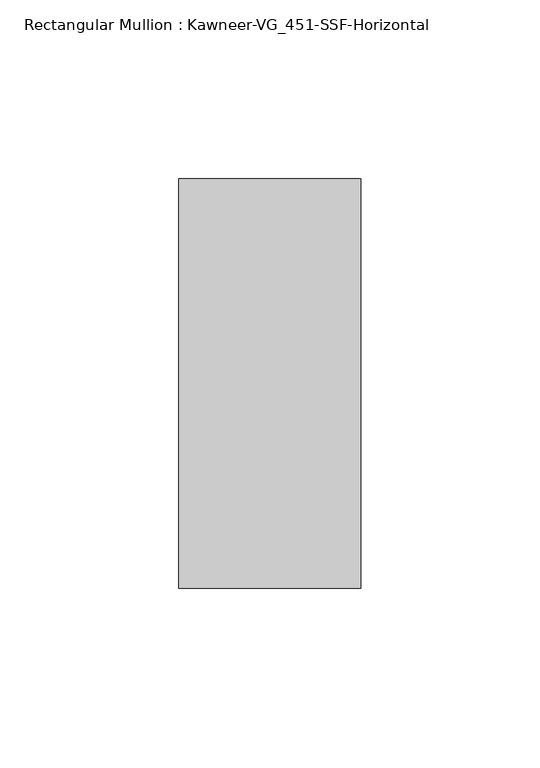
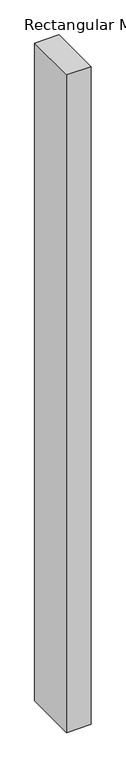
"""IFC4 building model written with IfcOpenShell, lengths in millimetres: member geometry, Rectangular Mullion : Kawneer-VG_451-SSF-Horizontal."""

import ifcopenshell
import ifcopenshell.guid

model = None  # the IFC model being written
_history = None  # IfcOwnerHistory: only IFC2X3 demands one
_inside = {}  # id of a spatial element -> (the spatial element, [elements in it])
_under = {}  # id of a project, library or spatial element -> (it, [spatial elements below it])
_declared = {}  # id of a project -> (the project, [libraries it declares])
_typed = {}  # id of a type object -> (the type object, [elements of that type])
_made_of = {}  # id of a material, layer set ... -> (it, [elements and type objects made of it])


def new_model(schema):
    """Start an empty IFC model of exactly this schema.

    Asked for "IFC4X3", IfcOpenShell would pick the latest addendum, in which some entities
    have other attributes; the version numbers below select the first issue.
    IFC2X3 requires an IfcOwnerHistory on every rooted entity: one is made here for all.
    """
    global model, _history
    if schema == "IFC4X3":
        model = ifcopenshell.file(schema_version=(4, 3, 0, 0))
    else:
        model = ifcopenshell.file(schema=schema)
    _inside.clear()
    _under.clear()
    _declared.clear()
    _typed.clear()
    _made_of.clear()
    _history = None
    if model.schema == "IFC2X3":
        org = make("IfcOrganization", Name="unknown")
        user = make(
            "IfcPersonAndOrganization",
            ThePerson=make("IfcPerson", FamilyName="unknown"),
            TheOrganization=org,
        )
        app = make(
            "IfcApplication",
            ApplicationDeveloper=org,
            Version="unknown",
            ApplicationFullName="unknown",
            ApplicationIdentifier="unknown",
        )
        _history = make(
            "IfcOwnerHistory",
            OwningUser=user,
            OwningApplication=app,
            ChangeAction="ADDED",
            CreationDate=0,
        )
    return model


def make(cls, **values):
    """One entity of the class cls with the attributes given. An attribute that is None is left unset."""
    return model.create_entity(
        cls, **{name: value for name, value in values.items() if value is not None}
    )


def rooted(cls, **values):
    """An entity with a GlobalId (a new one), such as an element, a storey or a relation."""
    return make(cls, GlobalId=ifcopenshell.guid.new(), OwnerHistory=_history, **values)


def si_unit(unit_type, name, prefix=None):
    """IfcSIUnit, for example si_unit("LENGTHUNIT", "METRE", prefix="MILLI")."""
    return make("IfcSIUnit", UnitType=unit_type, Prefix=prefix, Name=name)


def assignment(units):
    """IfcUnitAssignment: the units of a project."""
    return None if units is None else make("IfcUnitAssignment", Units=units)


def point(xyz):
    """IfcCartesianPoint."""
    return None if xyz is None else make("IfcCartesianPoint", Coordinates=xyz)


def direction(xyz):
    """IfcDirection."""
    return None if xyz is None else make("IfcDirection", DirectionRatios=xyz)


def frame(location, z_axis=None, x_axis=None):
    """IfcAxis2Placement3D, a coordinate frame: its origin and axes. An axis left out is left unset."""
    return make(
        "IfcAxis2Placement3D",
        Location=point(location),
        Axis=direction(z_axis),
        RefDirection=direction(x_axis),
    )


def origin():
    """The frame at (0, 0, 0) with its axes left unset."""
    return frame((0.0, 0.0, 0.0))


def place(relative_to, where):
    """IfcLocalPlacement: puts the frame where relative to a parent placement (None: the world)."""
    return make(
        "IfcLocalPlacement", PlacementRelTo=relative_to, RelativePlacement=where
    )


def context(
    kind, dimensions, precision=None, world=None, true_north=None, identifier=None
):
    """IfcGeometricRepresentationContext, for example the 3D "Model" context."""
    return make(
        "IfcGeometricRepresentationContext",
        ContextIdentifier=identifier,
        ContextType=kind,
        CoordinateSpaceDimension=dimensions,
        Precision=precision,
        WorldCoordinateSystem=world,
        TrueNorth=true_north,
    )


def project(units=None, contexts=None):
    """IfcProject with its units and contexts."""
    return rooted(
        "IfcProject",
        Name="project",
        RepresentationContexts=contexts,
        UnitsInContext=assignment(units),
    )


def spatial(cls, under=None, at=None, **own):
    """A site, building, storey or space (cls), placed at a placement, below another one or the project."""
    s = rooted(cls, ObjectPlacement=at, **own)
    if under is not None:
        _under.setdefault(under.id(), (under, []))[1].append(s)
    return s


def polyline(points):
    """IfcPolyline through the points."""
    return make("IfcPolyline", Points=[point(p) for p in points])


def outline(outer, holes=None, kind="AREA"):
    """IfcArbitraryClosedProfileDef: a profile drawn as a closed curve; with holes, ...WithVoids."""
    if holes is None:
        return make("IfcArbitraryClosedProfileDef", ProfileType=kind, OuterCurve=outer)
    return make(
        "IfcArbitraryProfileDefWithVoids",
        ProfileType=kind,
        OuterCurve=outer,
        InnerCurves=holes,
    )


def extrude(swept, where, along, depth):
    """IfcExtrudedAreaSolid: the profile swept, set in the frame where, extruded along a direction by depth."""
    return make(
        "IfcExtrudedAreaSolid",
        SweptArea=swept,
        Position=where,
        ExtrudedDirection=direction(along),
        Depth=depth,
    )


def shape(context_of_items, identifier, shape_type, items):
    """IfcShapeRepresentation: the items that make up one representation, for example the "Body"."""
    return make(
        "IfcShapeRepresentation",
        ContextOfItems=context_of_items,
        RepresentationIdentifier=identifier,
        RepresentationType=shape_type,
        Items=items,
    )


def source(mapping_origin, context_of_items, identifier, shape_type, items):
    """IfcRepresentationMap: a shape defined once, which mapped items show again and again."""
    return make(
        "IfcRepresentationMap",
        MappingOrigin=mapping_origin,
        MappedRepresentation=shape(context_of_items, identifier, shape_type, items),
    )


def transform(
    local_origin,
    x_axis=None,
    y_axis=None,
    z_axis=None,
    scale=None,
    scale2=None,
    scale3=None,
    uniform=True,
):
    """IfcCartesianTransformationOperator3D, or its non-uniform kind. x_axis, y_axis, z_axis: its Axis1, 2, 3."""
    if uniform:
        return make(
            "IfcCartesianTransformationOperator3D",
            Axis1=direction(x_axis),
            Axis2=direction(y_axis),
            LocalOrigin=point(local_origin),
            Scale=scale,
            Axis3=direction(z_axis),
        )
    return make(
        "IfcCartesianTransformationOperator3DnonUniform",
        Axis1=direction(x_axis),
        Axis2=direction(y_axis),
        LocalOrigin=point(local_origin),
        Scale=scale,
        Axis3=direction(z_axis),
        Scale2=scale2,
        Scale3=scale3,
    )


def mapped(mapping_source, mapping_target):
    """IfcMappedItem: shows the shape of a source again, moved by a transform."""
    return make(
        "IfcMappedItem", MappingSource=mapping_source, MappingTarget=mapping_target
    )


def made_of(thing, what):
    """Note that an element or type object is made of a material, layer set ...; save() writes the relation."""
    if what is not None:
        _made_of.setdefault(what.id(), (what, []))[1].append(thing)
    return thing


def element(
    cls,
    number,
    at=None,
    inside=None,
    cuts=None,
    type_object=None,
    material=None,
    context=None,
    identifier="Body",
    shape_type=None,
    held_by="IfcProductDefinitionShape",
    body=None,
    shapes=None,
    **own,
):
    """One element of the class cls, such as IfcWall. Its Tag is "e" and its number.

    at: its placement. inside: the storey or other place that contains it. cuts: it is an
    opening in that element (IfcRelVoidsElement). A single representation is given by context,
    identifier, shape_type and body (its items); several are given by shapes. held_by: the class
    of the entity that holds the representations. save() writes the other relations.
    """
    e = rooted(cls, Tag="e%d" % number, ObjectPlacement=at, **own)
    if body is not None:
        shapes = [shape(context, identifier, shape_type, body)]
    if shapes is not None:
        e.Representation = make(held_by, Representations=shapes)
    if inside is not None:
        _inside.setdefault(inside.id(), (inside, []))[1].append(e)
    if cuts is not None:
        rooted(
            "IfcRelVoidsElement", RelatingBuildingElement=cuts, RelatedOpeningElement=e
        )
    if type_object is not None:
        _typed.setdefault(type_object.id(), (type_object, []))[1].append(e)
    return made_of(e, material)


def aggregate(whole, parts):
    """IfcRelAggregates: a whole, such as a stair, and the parts it consists of."""
    return rooted("IfcRelAggregates", RelatingObject=whole, RelatedObjects=parts)


def save(model, path):
    """Write the relations noted so far, then the file.

    IfcRelAggregates (storeys below a building ...), IfcRelContainedInSpatialStructure (elements
    in a storey), IfcRelDefinesByType, IfcRelAssociatesMaterial and IfcRelDeclares: one each for
    every whole, place, type object, material and project.
    """
    for whole, parts in _under.values():
        aggregate(whole, parts)
    for where, things in _inside.values():
        rooted(
            "IfcRelContainedInSpatialStructure",
            RelatedElements=things,
            RelatingStructure=where,
        )
    for kind, things in _typed.values():
        rooted("IfcRelDefinesByType", RelatedObjects=things, RelatingType=kind)
    for what, things in _made_of.values():
        rooted("IfcRelAssociatesMaterial", RelatedObjects=things, RelatingMaterial=what)
    for by, libraries in _declared.values():
        rooted("IfcRelDeclares", RelatingContext=by, RelatedDefinitions=libraries)
    model.write(path)


def rectangular_mullion_kawneer_vg_451_ssf_horizontal_7eaaeb3d(model_context):
    return source(origin(), model_context, "Body", "SweptSolid", [
        extrude(outline(polyline([(25.4, 57.15), (25.4, -57.15), (-25.4, -57.15), (-25.4, 57.15), (25.4, 57.15)])), frame((0.0, 0.0, -1441.45), z_axis=(0.0, 0.0, 1.0), x_axis=(1.0, 0.0, 0.0)), (0.0, 0.0, 1.0), 1441.45),
    ])


if __name__ == "__main__":
    model = new_model("IFC4")
    model_context = context("Model", 3, world=origin())
    ifc_project = project(units=[si_unit("LENGTHUNIT", "METRE", prefix="MILLI")], contexts=[model_context])
    site = spatial("IfcSite", under=ifc_project)
    building = spatial("IfcBuilding", under=site)
    placement = place(None, origin())
    rectangular_mullion_kawneer_vg_451_ssf_horizontal_shape = rectangular_mullion_kawneer_vg_451_ssf_horizontal_7eaaeb3d(model_context)
    element("IfcMember", 1, ObjectType="Rectangular Mullion : Kawneer-VG_451-SSF-Horizontal", at=placement, inside=building, context=model_context, shape_type="MappedRepresentation", body=[
        mapped(rectangular_mullion_kawneer_vg_451_ssf_horizontal_shape, transform((0.0, 0.0, 0.0), x_axis=(1.0, 0.0, 0.0), y_axis=(0.0, 1.0, 0.0), z_axis=(0.0, 0.0, 1.0))),
    ])
    save(model, "model.ifc")
